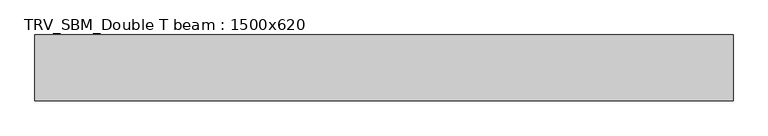
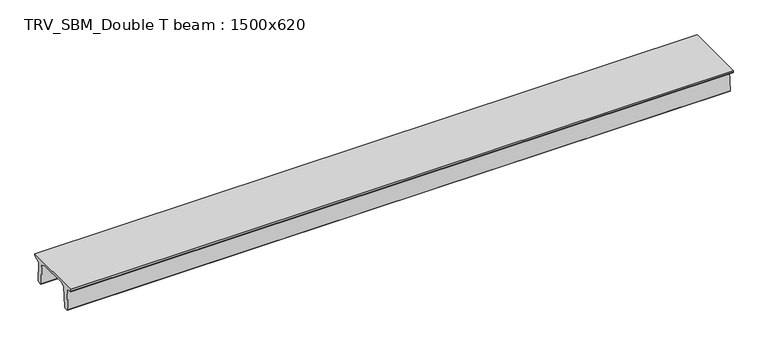
"""IFC4 building model written with IfcOpenShell, lengths in millimetres: beam geometry, TRV_SBM_Double T beam : 1500x620."""

from ifc_helpers import new_model, si_unit, frame, origin, place, context, project, spatial, polyline, outline, extrude, source, transform, mapped, element, save


def trv_sbm_double_t_beam_1500x620_f38de209(model_context):
    return source(origin(), model_context, "Body", "SweptSolid", [
        extrude(outline(polyline([(-765.0, 215.0), (-765.0, 260.0), (735.0, 260.0), (735.0, 215.0), (728.2094488, 201.315559), (578.0626443, 140.6523122), (594.8277662, -339.4379646), (574.2657308, -360.0), (484.2657308, -360.0), (464.786332, -340.5206011), (447.8600761, 144.18395), (338.3237744, 210.0), (-367.4555014, 210.0), (-476.5389732, 151.9992892), (-507.0080378, -339.3850967), (-527.622941, -360.0), (-615.122941, -360.0), (-637.1143055, -338.0086356), (-606.1572167, 162.687806), (-761.3068466, 204.260024), (-765.0, 215.0)])), frame((-7927.0, 0.0, 0.0), z_axis=(1.0, 0.0, 0.0), x_axis=(0.0, 1.0, 0.0)), (0.0, 0.0, 1.0), 15931.0),
    ])


if __name__ == "__main__":
    model = new_model("IFC4")
    model_context = context("Model", 3, world=origin())
    ifc_project = project(units=[si_unit("LENGTHUNIT", "METRE", prefix="MILLI")], contexts=[model_context])
    site = spatial("IfcSite", under=ifc_project)
    building = spatial("IfcBuilding", under=site)
    placement = place(None, origin())
    trv_sbm_double_t_beam_1500x620_shape = trv_sbm_double_t_beam_1500x620_f38de209(model_context)
    element("IfcBeam", 1, ObjectType="TRV_SBM_Double T beam : 1500x620", at=placement, inside=building, context=model_context, shape_type="MappedRepresentation", body=[
        mapped(trv_sbm_double_t_beam_1500x620_shape, transform((0.0, 0.0, 0.0), x_axis=(1.0, 0.0, 0.0), y_axis=(0.0, 1.0, 0.0), z_axis=(0.0, 0.0, 1.0))),
    ])
    save(model, "model.ifc")
